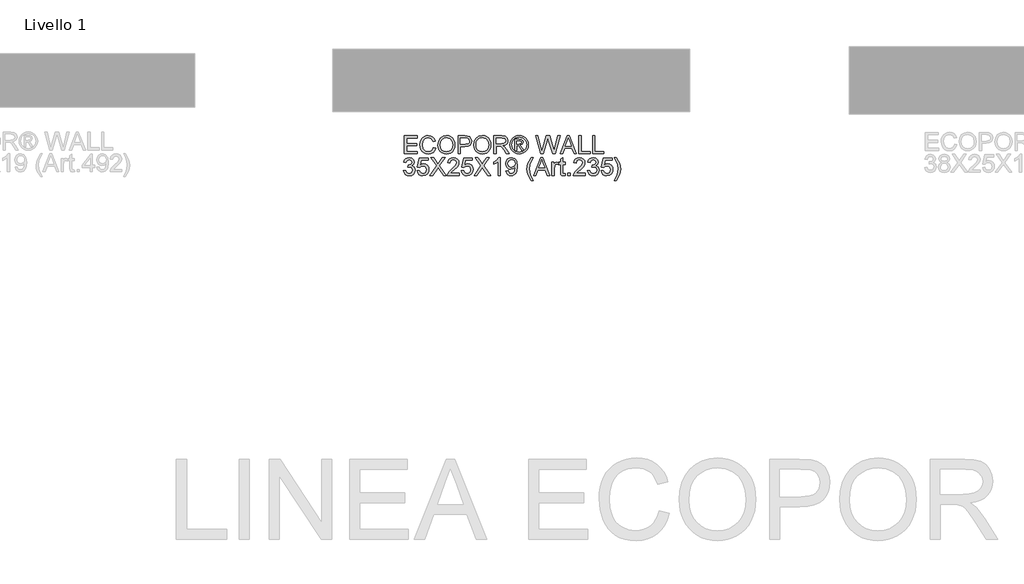
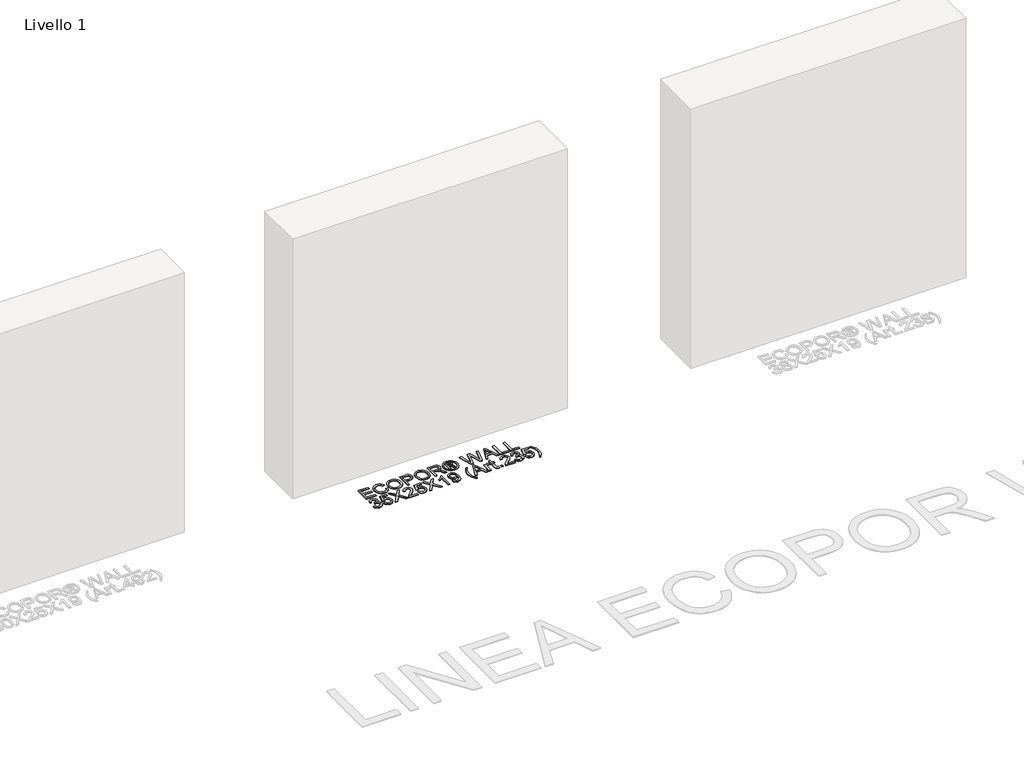
# One storey, part 2 of 4: 1 proxy.
"""IFC4 building model written with IfcOpenShell, lengths in millimetres."""

import ifcopenshell
import ifcopenshell.guid

model = None  # the IFC model being written
_history = None  # IfcOwnerHistory: only IFC2X3 demands one
_inside = {}  # id of a spatial element -> (the spatial element, [elements in it])
_under = {}  # id of a project, library or spatial element -> (it, [spatial elements below it])
_declared = {}  # id of a project -> (the project, [libraries it declares])
_typed = {}  # id of a type object -> (the type object, [elements of that type])
_made_of = {}  # id of a material, layer set ... -> (it, [elements and type objects made of it])


def new_model(schema):
    """Start an empty IFC model of exactly this schema.

    Asked for "IFC4X3", IfcOpenShell would pick the latest addendum, in which some entities
    have other attributes; the version numbers below select the first issue.
    IFC2X3 requires an IfcOwnerHistory on every rooted entity: one is made here for all.
    """
    global model, _history
    if schema == "IFC4X3":
        model = ifcopenshell.file(schema_version=(4, 3, 0, 0))
    else:
        model = ifcopenshell.file(schema=schema)
    _inside.clear()
    _under.clear()
    _declared.clear()
    _typed.clear()
    _made_of.clear()
    _history = None
    if model.schema == "IFC2X3":
        org = make("IfcOrganization", Name="unknown")
        user = make(
            "IfcPersonAndOrganization",
            ThePerson=make("IfcPerson", FamilyName="unknown"),
            TheOrganization=org,
        )
        app = make(
            "IfcApplication",
            ApplicationDeveloper=org,
            Version="unknown",
            ApplicationFullName="unknown",
            ApplicationIdentifier="unknown",
        )
        _history = make(
            "IfcOwnerHistory",
            OwningUser=user,
            OwningApplication=app,
            ChangeAction="ADDED",
            CreationDate=0,
        )
    return model


def make(cls, **values):
    """One entity of the class cls with the attributes given. An attribute that is None is left unset."""
    return model.create_entity(
        cls, **{name: value for name, value in values.items() if value is not None}
    )


def rooted(cls, **values):
    """An entity with a GlobalId (a new one), such as an element, a storey or a relation."""
    return make(cls, GlobalId=ifcopenshell.guid.new(), OwnerHistory=_history, **values)


def si_unit(unit_type, name, prefix=None):
    """IfcSIUnit, for example si_unit("LENGTHUNIT", "METRE", prefix="MILLI")."""
    return make("IfcSIUnit", UnitType=unit_type, Prefix=prefix, Name=name)


def assignment(units):
    """IfcUnitAssignment: the units of a project."""
    return None if units is None else make("IfcUnitAssignment", Units=units)


def point(xyz):
    """IfcCartesianPoint."""
    return None if xyz is None else make("IfcCartesianPoint", Coordinates=xyz)


def direction(xyz):
    """IfcDirection."""
    return None if xyz is None else make("IfcDirection", DirectionRatios=xyz)


def frame(location, z_axis=None, x_axis=None):
    """IfcAxis2Placement3D, a coordinate frame: its origin and axes. An axis left out is left unset."""
    return make(
        "IfcAxis2Placement3D",
        Location=point(location),
        Axis=direction(z_axis),
        RefDirection=direction(x_axis),
    )


def origin():
    """The frame at (0, 0, 0) with its axes left unset."""
    return frame((0.0, 0.0, 0.0))


def origin_with_axes():
    """The frame at (0, 0, 0) with the z axis (0, 0, 1) and the x axis (1, 0, 0) written out."""
    return frame((0.0, 0.0, 0.0), z_axis=(0.0, 0.0, 1.0), x_axis=(1.0, 0.0, 0.0))


def place(relative_to, where):
    """IfcLocalPlacement: puts the frame where relative to a parent placement (None: the world)."""
    return make(
        "IfcLocalPlacement", PlacementRelTo=relative_to, RelativePlacement=where
    )


def context(
    kind, dimensions, precision=None, world=None, true_north=None, identifier=None
):
    """IfcGeometricRepresentationContext, for example the 3D "Model" context."""
    return make(
        "IfcGeometricRepresentationContext",
        ContextIdentifier=identifier,
        ContextType=kind,
        CoordinateSpaceDimension=dimensions,
        Precision=precision,
        WorldCoordinateSystem=world,
        TrueNorth=true_north,
    )


def project(units=None, contexts=None):
    """IfcProject with its units and contexts."""
    return rooted(
        "IfcProject",
        Name="project",
        RepresentationContexts=contexts,
        UnitsInContext=assignment(units),
    )


def spatial(cls, under=None, at=None, **own):
    """A site, building, storey or space (cls), placed at a placement, below another one or the project."""
    s = rooted(cls, ObjectPlacement=at, **own)
    if under is not None:
        _under.setdefault(under.id(), (under, []))[1].append(s)
    return s


def polyline(points):
    """IfcPolyline through the points."""
    return make("IfcPolyline", Points=[point(p) for p in points])


def outline(outer, holes=None, kind="AREA"):
    """IfcArbitraryClosedProfileDef: a profile drawn as a closed curve; with holes, ...WithVoids."""
    if holes is None:
        return make("IfcArbitraryClosedProfileDef", ProfileType=kind, OuterCurve=outer)
    return make(
        "IfcArbitraryProfileDefWithVoids",
        ProfileType=kind,
        OuterCurve=outer,
        InnerCurves=holes,
    )


def extrude(swept, where, along, depth):
    """IfcExtrudedAreaSolid: the profile swept, set in the frame where, extruded along a direction by depth."""
    return make(
        "IfcExtrudedAreaSolid",
        SweptArea=swept,
        Position=where,
        ExtrudedDirection=direction(along),
        Depth=depth,
    )


def shape(context_of_items, identifier, shape_type, items):
    """IfcShapeRepresentation: the items that make up one representation, for example the "Body"."""
    return make(
        "IfcShapeRepresentation",
        ContextOfItems=context_of_items,
        RepresentationIdentifier=identifier,
        RepresentationType=shape_type,
        Items=items,
    )


def made_of(thing, what):
    """Note that an element or type object is made of a material, layer set ...; save() writes the relation."""
    if what is not None:
        _made_of.setdefault(what.id(), (what, []))[1].append(thing)
    return thing


def element(
    cls,
    number,
    at=None,
    inside=None,
    cuts=None,
    type_object=None,
    material=None,
    context=None,
    identifier="Body",
    shape_type=None,
    held_by="IfcProductDefinitionShape",
    body=None,
    shapes=None,
    **own,
):
    """One element of the class cls, such as IfcWall. Its Tag is "e" and its number.

    at: its placement. inside: the storey or other place that contains it. cuts: it is an
    opening in that element (IfcRelVoidsElement). A single representation is given by context,
    identifier, shape_type and body (its items); several are given by shapes. held_by: the class
    of the entity that holds the representations. save() writes the other relations.
    """
    e = rooted(cls, Tag="e%d" % number, ObjectPlacement=at, **own)
    if body is not None:
        shapes = [shape(context, identifier, shape_type, body)]
    if shapes is not None:
        e.Representation = make(held_by, Representations=shapes)
    if inside is not None:
        _inside.setdefault(inside.id(), (inside, []))[1].append(e)
    if cuts is not None:
        rooted(
            "IfcRelVoidsElement", RelatingBuildingElement=cuts, RelatedOpeningElement=e
        )
    if type_object is not None:
        _typed.setdefault(type_object.id(), (type_object, []))[1].append(e)
    return made_of(e, material)


def aggregate(whole, parts):
    """IfcRelAggregates: a whole, such as a stair, and the parts it consists of."""
    return rooted("IfcRelAggregates", RelatingObject=whole, RelatedObjects=parts)


def save(model, path):
    """Write the relations noted so far, then the file.

    IfcRelAggregates (storeys below a building ...), IfcRelContainedInSpatialStructure (elements
    in a storey), IfcRelDefinesByType, IfcRelAssociatesMaterial and IfcRelDeclares: one each for
    every whole, place, type object, material and project.
    """
    for whole, parts in _under.values():
        aggregate(whole, parts)
    for where, things in _inside.values():
        rooted(
            "IfcRelContainedInSpatialStructure",
            RelatedElements=things,
            RelatingStructure=where,
        )
    for kind, things in _typed.values():
        rooted("IfcRelDefinesByType", RelatedObjects=things, RelatingType=kind)
    for what, things in _made_of.values():
        rooted("IfcRelAssociatesMaterial", RelatedObjects=things, RelatingMaterial=what)
    for by, libraries in _declared.values():
        rooted("IfcRelDeclares", RelatingContext=by, RelatedDefinitions=libraries)
    model.write(path)


model = new_model("IFC4")

# Units and contexts
model_context = context("Model", 3, world=origin())
ifc_project = project(units=[si_unit("LENGTHUNIT", "METRE", prefix="MILLI")], contexts=[model_context])

# Site, building, storey
site = spatial("IfcSite", under=ifc_project)
building = spatial("IfcBuilding", under=site)
storey = spatial("IfcBuildingStorey", under=building, Name="Livello 1", Elevation=0.0)

# Proxy
placement = place(None, origin())
element("IfcBuildingElementProxy", 1, Name="100", ObjectType="100", at=placement, inside=storey, context=model_context, shape_type="SweptSolid", body=[
    extrude(outline(polyline([(-1856.6824675, 201.9457776), (-1856.6824675, 302.4020877), (-1784.4794946, 302.4020877), (-1784.4794946, 289.8450489), (-1844.1254288, 289.8450489), (-1844.1254288, 260.0220819), (-1787.6187543, 260.0220819), (-1787.6187543, 247.4650431), (-1844.1254288, 247.4650431), (-1844.1254288, 214.5028163), (-1782.9098648, 214.5028163), (-1782.9098648, 201.9457776), (-1856.6824675, 201.9457776)])), origin_with_axes(), (0.0, 0.0, 1.0), 5.0),
    extrude(outline(polyline([(-1693.4409635, 237.6548566), (-1680.8839248, 234.417495), (-1686.6780662, 219.7849886), (-1695.7708828, 209.094951), (-1707.714785, 202.5558485), (-1722.0621828, 200.3761477), (-1736.6272441, 202.0254853), (-1748.1940672, 206.9734982), (-1757.0600232, 215.048508), (-1763.5224836, 226.0788364), (-1768.7831962, 252.9342221), (-1767.2963398, 267.5820569), (-1762.8357706, 280.2310661), (-1755.6344805, 290.4796454), (-1745.9254615, 297.9261901), (-1734.4107551, 302.4603357), (-1721.7924026, 303.9717176), (-1708.024419, 302.0158116), (-1696.6415369, 296.1480938), (-1687.9993757, 286.7303147), (-1682.4535546, 274.124225), (-1695.0105934, 271.1321181), (-1705.3112893, 286.5708992), (-1722.282912, 291.4146788), (-1741.9278105, 286.0436017), (-1753.025584, 271.6226275), (-1756.2261574, 252.9587476), (-1752.4369728, 231.3272862), (-1740.6402235, 217.507186), (-1723.3129815, 212.9331865), (-1712.8314104, 214.4905536), (-1704.0972787, 219.1626549), (-1697.5029939, 226.9004396), (-1693.4409635, 237.6548566)])), origin_with_axes(), (0.0, 0.0, 1.0), 5.0),
    extrude(outline(polyline([(-1668.326886, 250.8495575), (-1664.9791598, 273.0634986), (-1654.9359814, 289.8695744), (-1639.6014335, 300.4461818), (-1620.3795993, 303.9717176), (-1607.2032925, 302.3162486), (-1595.3881491, 297.3498416), (-1585.5779626, 289.4219847), (-1578.4165264, 278.8821655), (-1574.0387306, 266.2392876), (-1572.5794654, 252.0022544), (-1574.1153727, 237.5751488), (-1578.7230947, 224.7544613), (-1586.1481796, 214.196248), (-1596.1361758, 206.5565652), (-1607.8501517, 201.9212521), (-1620.4531757, 200.3761477), (-1633.8318176, 202.0837333), (-1645.714406, 207.2064901), (-1655.5000671, 215.2814999), (-1662.5879269, 225.8458445), (-1668.326886, 250.8495575)]), holes=[polyline([(-1655.7698472, 250.7269301), (-1653.2590526, 235.0122376), (-1645.7266688, 223.0376786), (-1634.4051004, 215.4593095), (-1620.5267521, 212.9331865), (-1606.4460687, 215.483835), (-1595.1061062, 223.1357805), (-1587.6289047, 235.4782214), (-1585.1365042, 252.1003562), (-1589.4039353, 272.8243753), (-1601.8751349, 286.5463737), (-1620.3060229, 291.4146788), (-1633.8134235, 289.0694311), (-1645.2974731, 282.0336879), (-1653.1517537, 269.516503), (-1655.7698472, 250.7269301)])]), origin_with_axes(), (0.0, 0.0, 1.0), 5.0),
    extrude(outline(polyline([(-1555.3135371, 201.9457776), (-1555.3135371, 302.4020877), (-1518.0838792, 302.4020877), (-1503.0742938, 301.4455945), (-1490.8728743, 296.7489677), (-1482.9634114, 287.036883), (-1479.9713045, 273.3394101), (-1481.9915898, 261.4997412), (-1488.0524456, 251.6343724), (-1499.3862768, 244.9757083), (-1517.2254879, 242.7561536), (-1542.7564983, 242.7561536), (-1542.7564983, 201.9457776), (-1555.3135371, 201.9457776)]), holes=[polyline([(-1542.7564983, 255.3131923), (-1516.4897239, 255.3131923), (-1497.9975222, 259.92398), (-1493.895638, 265.4728668), (-1492.5283432, 272.8979517), (-1495.7534421, 283.2967494), (-1504.2269907, 288.9866576), (-1516.7840295, 289.8450489), (-1542.7564983, 289.8450489), (-1542.7564983, 255.3131923)])]), origin_with_axes(), (0.0, 0.0, 1.0), 5.0),
    extrude(outline(polyline([(-1467.4142657, 250.8495575), (-1464.0665395, 273.0634986), (-1454.0233611, 289.8695744), (-1438.6888132, 300.4461818), (-1419.466979, 303.9717176), (-1406.2906722, 302.3162486), (-1394.4755288, 297.3498416), (-1384.6653423, 289.4219847), (-1377.5039061, 278.8821655), (-1373.1261103, 266.2392876), (-1371.6668451, 252.0022544), (-1373.2027524, 237.5751488), (-1377.8104744, 224.7544613), (-1385.2355593, 214.196248), (-1395.2235555, 206.5565652), (-1406.9375314, 201.9212521), (-1419.5405554, 200.3761477), (-1432.9191973, 202.0837333), (-1444.8017857, 207.2064901), (-1454.5874468, 215.2814999), (-1461.6753066, 225.8458445), (-1467.4142657, 250.8495575)]), holes=[polyline([(-1454.8572269, 250.7269301), (-1452.3464323, 235.0122376), (-1444.8140485, 223.0376786), (-1433.4924801, 215.4593095), (-1419.6141318, 212.9331865), (-1405.5334484, 215.483835), (-1394.1934859, 223.1357805), (-1386.7162844, 235.4782214), (-1384.2238839, 252.1003562), (-1388.491315, 272.8243753), (-1400.9625146, 286.5463737), (-1419.3934026, 291.4146788), (-1432.9008032, 289.0694311), (-1444.3848528, 282.0336879), (-1452.2391334, 269.516503), (-1454.8572269, 250.7269301)])]), origin_with_axes(), (0.0, 0.0, 1.0), 5.0),
    extrude(outline(polyline([(-1354.4009168, 201.9457776), (-1354.4009168, 302.4020877), (-1311.1134687, 302.4020877), (-1291.014849, 299.6920237), (-1280.0274401, 290.1025663), (-1275.9194245, 274.9090399), (-1277.6208787, 265.0130143), (-1282.7252414, 256.8092458), (-1291.3857967, 250.7943752), (-1303.7558288, 247.4650431), (-1296.6189181, 242.093966), (-1286.4408495, 229.1690452), (-1269.689956, 201.9457776), (-1284.2826085, 201.9457776), (-1297.3546821, 222.7678985), (-1306.7969866, 236.5512106), (-1313.4311253, 243.0627219), (-1319.4030763, 245.4539549), (-1326.6871398, 245.8954133), (-1341.843878, 245.8954133), (-1341.843878, 201.9457776), (-1354.4009168, 201.9457776)]), holes=[polyline([(-1341.843878, 258.452452), (-1313.7376936, 258.452452), (-1299.4025585, 260.2305483), (-1291.2601037, 265.9204565), (-1288.4764632, 274.4430561), (-1293.7862267, 285.5040414), (-1310.5739084, 289.8450489), (-1341.843878, 289.8450489), (-1341.843878, 258.452452)])]), origin_with_axes(), (0.0, 0.0, 1.0), 5.0),
    extrude(outline(polyline([(-1213.1097052, 303.9717176), (-1200.2154412, 302.2978545), (-1187.6277456, 297.2762652), (-1176.569826, 289.1399418), (-1168.26489, 278.121876), (-1163.0685568, 265.3992904), (-1161.3364457, 252.1494072), (-1163.0440313, 239.0160199), (-1168.1667881, 226.3976675), (-1176.3705566, 215.4194556), (-1187.3211773, 207.2064901), (-1199.9303327, 202.0837333), (-1213.1097052, 200.3761477), (-1226.2706835, 202.0837333), (-1238.8737076, 207.2064901), (-1249.8335253, 215.4194556), (-1258.064885, 226.3976675), (-1263.2152329, 239.0160199), (-1264.9320156, 252.1494072), (-1263.1907074, 265.3992904), (-1257.9667831, 278.121876), (-1249.6342559, 289.1399418), (-1238.5671392, 297.2762652), (-1225.985575, 302.2978545), (-1213.1097052, 303.9717176)]), holes=[polyline([(-1213.1097052, 294.5539385), (-1233.9318261, 289.0724968), (-1242.9602634, 282.410767), (-1249.7875401, 273.388461), (-1255.5142365, 252.1494072), (-1249.8979047, 231.0942943), (-1234.1770808, 215.4102586), (-1213.1097052, 209.7939268), (-1192.0300668, 215.4102586), (-1176.3460311, 231.0942943), (-1170.7542248, 252.1494072), (-1176.444133, 273.388461), (-1183.2530156, 282.410767), (-1192.299847, 289.0724968), (-1213.1097052, 294.5539385)])]), origin_with_axes(), (0.0, 0.0, 1.0), 5.0),
    extrude(outline(polyline([(-1236.6786783, 220.7813357), (-1236.6786783, 283.5665296), (-1216.3961177, 283.5665296), (-1201.3374813, 281.8374842), (-1193.9185278, 275.8042195), (-1191.1594128, 266.6439578), (-1195.9173533, 254.7245811), (-1208.523443, 249.0346729), (-1203.6183497, 245.6992095), (-1195.0589619, 233.1666962), (-1188.0201531, 220.7813357), (-1198.6151546, 220.7813357), (-1204.1333845, 230.7386751), (-1213.3794853, 245.1596493), (-1221.3993128, 247.4650431), (-1227.2608993, 247.4650431), (-1227.2608993, 220.7813357), (-1236.6786783, 220.7813357)]), holes=[polyline([(-1227.2608993, 256.8828222), (-1215.3415226, 256.8828222), (-1203.6919261, 259.2740551), (-1200.5771919, 265.6138882), (-1202.0732453, 270.1756249), (-1206.2303119, 273.1677318), (-1216.1018121, 274.1487505), (-1227.2608993, 274.1487505), (-1227.2608993, 256.8828222)])]), origin_with_axes(), (0.0, 0.0, 1.0), 5.0),
    extrude(outline(polyline([(-1093.1311238, 201.9457776), (-1120.5260697, 302.4020877), (-1107.5766235, 302.4020877), (-1091.6841213, 236.3795323), (-1086.779028, 215.9988698), (-1081.5305782, 234.0250875), (-1061.6158996, 302.4020877), (-1042.9520197, 302.4020877), (-1028.4819945, 252.8361202), (-1017.7153148, 215.9988698), (-1012.9573743, 235.7909211), (-996.9177193, 302.4020877), (-983.9682731, 302.4020877), (-1011.3877445, 201.9457776), (-1024.8031746, 201.9457776), (-1048.8871825, 279.4462512), (-1052.2471714, 290.2619819), (-1056.0240932, 277.2389592), (-1077.9743856, 201.9457776), (-1093.1311238, 201.9457776)])), origin_with_axes(), (0.0, 0.0, 1.0), 5.0),
    extrude(outline(polyline([(-983.1098818, 201.9457776), (-943.0107443, 302.4020877), (-932.317641, 302.4020877), (-892.2185035, 201.9457776), (-905.4867808, 201.9457776), (-916.9892245, 233.3383745), (-958.3636862, 233.3383745), (-969.8416045, 201.9457776), (-983.1098818, 201.9457776)]), holes=[polyline([(-953.7528986, 245.8954133), (-921.5754867, 245.8954133), (-930.6253838, 270.5925579), (-937.6641926, 289.8450489), (-943.9181866, 272.7507989), (-953.7528986, 245.8954133)])]), origin_with_axes(), (0.0, 0.0, 1.0), 5.0),
    extrude(outline(polyline([(-878.8030734, 201.9457776), (-878.8030734, 302.4020877), (-866.2460347, 302.4020877), (-866.2460347, 214.5028163), (-816.0178796, 214.5028163), (-816.0178796, 201.9457776), (-878.8030734, 201.9457776)])), origin_with_axes(), (0.0, 0.0, 1.0), 5.0),
    extrude(outline(polyline([(-801.891211, 201.9457776), (-801.891211, 302.4020877), (-789.3341722, 302.4020877), (-789.3341722, 214.5028163), (-739.1060171, 214.5028163), (-739.1060171, 201.9457776), (-801.891211, 201.9457776)])), origin_with_axes(), (0.0, 0.0, 1.0), 5.0),
    extrude(outline(polyline([(-1861.3913571, 106.6546671), (-1848.8343183, 108.2242969), (-1841.9058741, 95.0050706), (-1828.9441651, 90.9583686), (-1820.3357264, 92.3501889), (-1813.689325, 96.5256495), (-1808.0239423, 110.3089616), (-1813.6402741, 123.295196), (-1827.9140955, 128.4332812), (-1836.7187379, 127.0598551), (-1835.3207863, 139.6168939), (-1833.3096981, 139.4697411), (-1819.0604022, 143.0749846), (-1814.3147244, 147.6489841), (-1812.7328318, 154.1604954), (-1817.319094, 163.9829447), (-1829.1403688, 167.8702311), (-1841.1087964, 163.9461565), (-1847.2646885, 152.1739326), (-1859.8217272, 153.7435625), (-1856.1245132, 165.0191456), (-1849.5455568, 173.437512), (-1840.5447107, 178.6798304), (-1829.5818272, 180.4272699), (-1814.4373518, 176.9814418), (-1803.8423503, 167.5636628), (-1800.1757931, 154.8962594), (-1803.6584093, 143.3202393), (-1813.9591052, 135.0061062), (-1800.2738949, 126.422193), (-1795.4669035, 110.0882324), (-1797.8703992, 97.8500247), (-1805.0808863, 87.6229052), (-1815.964062, 80.7067237), (-1829.3856235, 78.4013299), (-1841.5257293, 80.3694985), (-1851.4094923, 86.2740046), (-1858.2827542, 95.3055076), (-1861.3913571, 106.6546671)])), origin_with_axes(), (0.0, 0.0, 1.0), 5.0),
    extrude(outline(polyline([(-1784.4794946, 106.6546671), (-1771.9224558, 108.2242969), (-1765.5948855, 95.2871135), (-1752.473761, 90.9583686), (-1743.4729149, 92.4636191), (-1736.7284116, 96.9793706), (-1732.5161628, 103.984457), (-1731.1120798, 112.957712), (-1736.3727924, 127.8691955), (-1742.9793399, 131.9710797), (-1752.2775573, 133.3383745), (-1763.3017544, 131.155608), (-1770.352826, 125.4902253), (-1782.9098648, 127.0598551), (-1771.9224558, 178.85764), (-1723.2639306, 178.85764), (-1723.2639306, 166.3006013), (-1761.7689128, 166.3006013), (-1767.1399899, 138.6358752), (-1758.1698006, 144.0805287), (-1748.7704156, 145.8954133), (-1737.0380457, 143.6452017), (-1727.2983698, 136.8945671), (-1720.7408733, 126.606134), (-1718.5550411, 113.7425269), (-1720.5232098, 101.1854881), (-1726.4277158, 90.4433338), (-1737.7339558, 81.4118309), (-1752.522812, 78.4013299), (-1764.8560559, 80.335776), (-1774.6815708, 86.1391145), (-1781.416877, 95.136895), (-1784.4794946, 106.6546671)])), origin_with_axes(), (0.0, 0.0, 1.0), 5.0),
    extrude(outline(polyline([(-1713.8461515, 79.9709597), (-1675.1204402, 134.7118006), (-1707.5676322, 180.4272699), (-1692.5089958, 180.4272699), (-1674.2375234, 154.7000557), (-1668.0816313, 144.6691399), (-1660.8711442, 154.8717339), (-1642.7958755, 180.4272699), (-1627.51651, 180.4272699), (-1659.963702, 134.5646478), (-1621.2379906, 79.9709597), (-1636.296627, 79.9709597), (-1662.0974176, 116.3667518), (-1667.4684947, 123.9205954), (-1673.3791321, 115.6309878), (-1698.566786, 79.9709597), (-1713.8461515, 79.9709597)])), origin_with_axes(), (0.0, 0.0, 1.0), 5.0),
    extrude(outline(polyline([(-1549.0350177, 92.5279985), (-1549.0350177, 79.9709597), (-1614.9594712, 79.9709597), (-1613.6105706, 88.6284493), (-1605.9831506, 101.9580403), (-1590.2623266, 116.5139046), (-1568.5818144, 137.4341274), (-1563.1616863, 151.6588978), (-1568.275246, 163.1736043), (-1581.6293625, 167.8702311), (-1595.5475646, 163.2839689), (-1600.8328026, 150.6043028), (-1613.3898414, 152.1739326), (-1610.3456179, 164.3201698), (-1603.7635958, 173.1922573), (-1593.9871318, 178.6185167), (-1581.3595823, 180.4272699), (-1568.6400624, 178.4161816), (-1558.8819924, 172.3829169), (-1552.6739838, 163.369808), (-1550.6046475, 152.4191873), (-1552.836465, 140.5120734), (-1560.2554186, 128.2002893), (-1578.2448481, 110.9956746), (-1592.6903478, 98.9168825), (-1598.3557305, 92.5279985), (-1549.0350177, 92.5279985)])), origin_with_axes(), (0.0, 0.0, 1.0), 5.0),
    extrude(outline(polyline([(-1536.4779789, 106.6546671), (-1523.9209402, 108.2242969), (-1517.5933698, 95.2871135), (-1504.4722454, 90.9583686), (-1495.4713992, 92.4636191), (-1488.726896, 96.9793706), (-1484.5146471, 103.984457), (-1483.1105642, 112.957712), (-1488.3712767, 127.8691955), (-1494.9778242, 131.9710797), (-1504.2760416, 133.3383745), (-1515.3002387, 131.155608), (-1522.3513103, 125.4902253), (-1534.9083491, 127.0598551), (-1523.9209402, 178.85764), (-1475.2624149, 178.85764), (-1475.2624149, 166.3006013), (-1513.7673971, 166.3006013), (-1519.1384742, 138.6358752), (-1510.1682849, 144.0805287), (-1500.7688999, 145.8954133), (-1489.03653, 143.6452017), (-1479.2968541, 136.8945671), (-1472.7393576, 126.606134), (-1470.5535254, 113.7425269), (-1472.5216941, 101.1854881), (-1478.4262001, 90.4433338), (-1489.7324401, 81.4118309), (-1504.5212963, 78.4013299), (-1516.8545402, 80.335776), (-1526.6800551, 86.1391145), (-1533.4153613, 95.136895), (-1536.4779789, 106.6546671)])), origin_with_axes(), (0.0, 0.0, 1.0), 5.0),
    extrude(outline(polyline([(-1465.8446359, 79.9709597), (-1427.1189245, 134.7118006), (-1459.5661165, 180.4272699), (-1444.5074801, 180.4272699), (-1426.2360077, 154.7000557), (-1420.0801157, 144.6691399), (-1412.8696286, 154.8717339), (-1394.7943599, 180.4272699), (-1379.5149943, 180.4272699), (-1411.9621863, 134.5646478), (-1373.2364749, 79.9709597), (-1388.2951113, 79.9709597), (-1414.0959019, 116.3667518), (-1419.466979, 123.9205954), (-1425.3776164, 115.6309878), (-1450.5652703, 79.9709597), (-1465.8446359, 79.9709597)])), origin_with_axes(), (0.0, 0.0, 1.0), 5.0),
    extrude(outline(polyline([(-1318.2994303, 79.9709597), (-1330.8564691, 79.9709597), (-1330.8564691, 158.2562483), (-1342.7513203, 149.7826997), (-1355.9705466, 143.4428666), (-1355.9705466, 155.3131923), (-1337.5641841, 167.0608907), (-1326.3928342, 180.4272699), (-1318.2994303, 180.4272699), (-1318.2994303, 79.9709597)])), origin_with_axes(), (0.0, 0.0, 1.0), 5.0),
    extrude(outline(polyline([(-1286.9068334, 105.0850373), (-1274.3497946, 106.6546671), (-1268.7089374, 94.6739768), (-1258.015834, 90.9583686), (-1247.8500282, 93.3496016), (-1240.9583722, 99.7384856), (-1236.8503566, 110.6523181), (-1235.0354721, 125.2204451), (-1235.1090485, 127.6729918), (-1245.152227, 118.1571108), (-1258.9232763, 114.5028163), (-1270.3736034, 116.7346338), (-1279.9048128, 123.4300861), (-1286.3335506, 133.7737015), (-1288.4764632, 146.9500083), (-1286.2293174, 160.5616421), (-1279.4878798, 171.23022), (-1269.3619279, 178.1280074), (-1256.961239, 180.4272699), (-1239.0699113, 175.1788201), (-1226.7581272, 160.2182856), (-1222.5520097, 132.1121012), (-1226.7458645, 101.6146838), (-1231.9605917, 91.6236219), (-1239.2170641, 84.3364927), (-1248.2025818, 79.8851206), (-1258.6044452, 78.4013299), (-1269.3404681, 80.151835), (-1277.9059873, 85.4033505), (-1283.8963324, 93.8247825), (-1286.9068334, 105.0850373)]), holes=[polyline([(-1235.1090485, 147.2443139), (-1236.4640805, 155.7546507), (-1240.5291765, 162.3029502), (-1246.8383528, 166.4784109), (-1254.9256253, 167.8702311), (-1263.3133348, 166.371112), (-1270.0333126, 161.8737546), (-1274.4478965, 154.9912956), (-1275.9194245, 146.3368716), (-1274.5276043, 138.5776272), (-1270.3521436, 132.4186695), (-1263.7977127, 128.3995587), (-1255.2689818, 127.0598551), (-1240.7866939, 132.4186695), (-1236.5284598, 138.8044878), (-1235.1090485, 147.2443139)])]), origin_with_axes(), (0.0, 0.0, 1.0), 5.0),
    extrude(outline(polyline([(-1144.0705174, 51.7176225), (-1161.9005314, 81.1727076), (-1167.3635791, 98.3527967), (-1169.1845949, 116.1460226), (-1163.7399414, 146.6802282), (-1144.0705174, 180.4272699), (-1134.6527383, 180.4272699), (-1146.4004367, 160.5371167), (-1153.463771, 141.2601001), (-1156.6275562, 116.0724462), (-1151.1338517, 83.8827716), (-1134.6527383, 51.7176225), (-1144.0705174, 51.7176225)])), origin_with_axes(), (0.0, 0.0, 1.0), 5.0),
    extrude(outline(polyline([(-1132.2247172, 79.9709597), (-1092.1255797, 180.4272699), (-1081.4324764, 180.4272699), (-1041.3333389, 79.9709597), (-1054.6016162, 79.9709597), (-1066.1040599, 111.3635566), (-1107.4785216, 111.3635566), (-1118.9564399, 79.9709597), (-1132.2247172, 79.9709597)]), holes=[polyline([(-1102.8677339, 123.9205954), (-1070.6903221, 123.9205954), (-1079.7402192, 148.61774), (-1086.779028, 167.8702311), (-1093.0330219, 150.7759811), (-1102.8677339, 123.9205954)])]), origin_with_axes(), (0.0, 0.0, 1.0), 5.0),
    extrude(outline(polyline([(-1029.4875386, 79.9709597), (-1029.4875386, 153.7435625), (-1018.5001297, 153.7435625), (-1018.5001297, 142.82973), (-1010.7010314, 152.8851712), (-1002.8528822, 155.3131923), (-990.2467925, 151.4381686), (-994.4406472, 140.1809796), (-1003.2698151, 142.7561536), (-1010.3699376, 140.2790815), (-1014.8948862, 133.4119509), (-1016.9304999, 118.745722), (-1016.9304999, 79.9709597), (-1029.4875386, 79.9709597)])), origin_with_axes(), (0.0, 0.0, 1.0), 5.0),
    extrude(outline(polyline([(-955.7149359, 90.4433338), (-954.145306, 79.6030777), (-963.5385596, 78.4013299), (-974.0599847, 80.4859945), (-979.3084345, 85.9551735), (-980.8290134, 100.2044695), (-980.8290134, 141.1865237), (-990.2467925, 141.1865237), (-990.2467925, 153.7435625), (-980.8290134, 153.7435625), (-980.8290134, 171.6716784), (-968.2719746, 179.0538438), (-968.2719746, 153.7435625), (-955.7149359, 153.7435625), (-955.7149359, 141.1865237), (-968.2719746, 141.1865237), (-968.2719746, 100.5723514), (-967.6097871, 94.0976283), (-965.4638088, 91.8044972), (-961.1841149, 90.9583686), (-955.7149359, 90.4433338)])), origin_with_axes(), (0.0, 0.0, 1.0), 5.0),
    extrude(outline(polyline([(-940.0186374, 79.9709597), (-940.0186374, 92.5279985), (-927.4615986, 92.5279985), (-927.4615986, 79.9709597), (-940.0186374, 79.9709597)])), origin_with_axes(), (0.0, 0.0, 1.0), 5.0),
    extrude(outline(polyline([(-842.701587, 92.5279985), (-842.701587, 79.9709597), (-908.6260405, 79.9709597), (-907.2771398, 88.6284493), (-899.6497198, 101.9580403), (-883.9288959, 116.5139046), (-862.2483836, 137.4341274), (-856.8282556, 151.6588978), (-861.9418153, 163.1736043), (-875.2959317, 167.8702311), (-889.2141339, 163.2839689), (-894.4993719, 150.6043028), (-907.0564107, 152.1739326), (-904.0121871, 164.3201698), (-897.4301651, 173.1922573), (-887.6537011, 178.6185167), (-875.0261516, 180.4272699), (-862.3066316, 178.4161816), (-852.5485617, 172.3829169), (-846.340553, 163.369808), (-844.2712168, 152.4191873), (-846.5030342, 140.5120734), (-853.9219878, 128.2002893), (-871.9114174, 110.9956746), (-886.3569171, 98.9168825), (-892.0222998, 92.5279985), (-842.701587, 92.5279985)])), origin_with_axes(), (0.0, 0.0, 1.0), 5.0),
    extrude(outline(polyline([(-830.1445482, 106.6546671), (-817.5875094, 108.2242969), (-810.6590652, 95.0050706), (-797.6973562, 90.9583686), (-789.0889175, 92.3501889), (-782.4425162, 96.5256495), (-776.7771334, 110.3089616), (-782.3934652, 123.295196), (-796.6672866, 128.4332812), (-805.471929, 127.0598551), (-804.0739775, 139.6168939), (-802.0628892, 139.4697411), (-787.8135933, 143.0749846), (-783.0679155, 147.6489841), (-781.486023, 154.1604954), (-786.0722852, 163.9829447), (-797.8935599, 167.8702311), (-809.8619875, 163.9461565), (-816.0178796, 152.1739326), (-828.5749183, 153.7435625), (-824.8777043, 165.0191456), (-818.2987479, 173.437512), (-809.2979018, 178.6798304), (-798.3350183, 180.4272699), (-783.1905429, 176.9814418), (-772.5955414, 167.5636628), (-768.9289842, 154.8962594), (-772.4116004, 143.3202393), (-782.7122963, 135.0061062), (-769.0270861, 126.422193), (-764.2200947, 110.0882324), (-766.6235904, 97.8500247), (-773.8340775, 87.6229052), (-784.7172532, 80.7067237), (-798.1388146, 78.4013299), (-810.2789205, 80.3694985), (-820.1626834, 86.2740046), (-827.0359453, 95.3055076), (-830.1445482, 106.6546671)])), origin_with_axes(), (0.0, 0.0, 1.0), 5.0),
    extrude(outline(polyline([(-753.2326857, 106.6546671), (-740.675647, 108.2242969), (-734.3480766, 95.2871135), (-721.2269522, 90.9583686), (-712.226106, 92.4636191), (-705.4816028, 96.9793706), (-701.2693539, 103.984457), (-699.865271, 112.957712), (-705.1259835, 127.8691955), (-711.732531, 131.9710797), (-721.0307484, 133.3383745), (-732.0549455, 131.155608), (-739.1060171, 125.4902253), (-751.6630559, 127.0598551), (-740.675647, 178.85764), (-692.0171217, 178.85764), (-692.0171217, 166.3006013), (-730.5221039, 166.3006013), (-735.893181, 138.6358752), (-726.9229917, 144.0805287), (-717.5236067, 145.8954133), (-705.7912368, 143.6452017), (-696.051561, 136.8945671), (-689.4940644, 126.606134), (-687.3082322, 113.7425269), (-689.2764009, 101.1854881), (-695.1809069, 90.4433338), (-706.4871469, 81.4118309), (-721.2760031, 78.4013299), (-733.609247, 80.335776), (-743.4347619, 86.1391145), (-750.1700681, 95.136895), (-753.2326857, 106.6546671)])), origin_with_axes(), (0.0, 0.0, 1.0), 5.0),
    extrude(outline(polyline([(-670.0423039, 51.7176225), (-679.460083, 51.7176225), (-662.9789696, 83.8827716), (-657.4852651, 116.0724462), (-660.6490503, 141.0393709), (-667.6388082, 160.3409129), (-679.460083, 180.4272699), (-670.0423039, 180.4272699), (-650.3728799, 146.6802282), (-644.9282264, 116.1460226), (-646.7584393, 98.3527967), (-652.2490781, 81.1727076), (-670.0423039, 51.7176225)])), origin_with_axes(), (0.0, 0.0, 1.0), 5.0),
])

save(model, "model.ifc")
